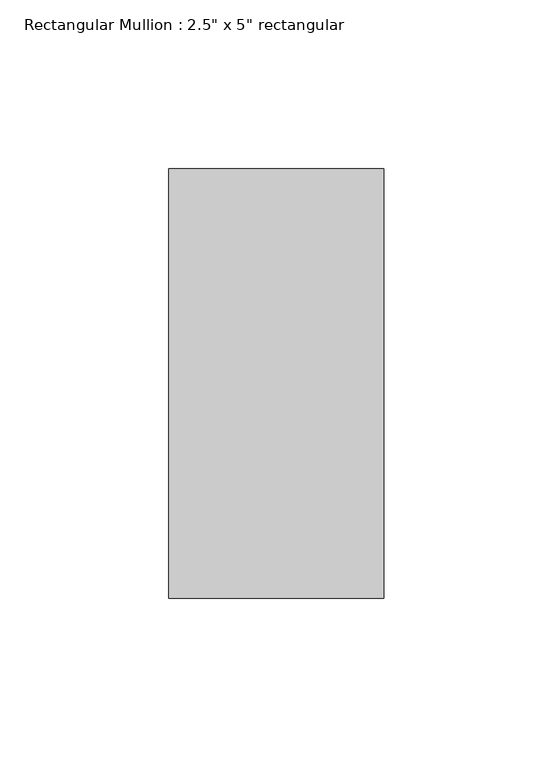
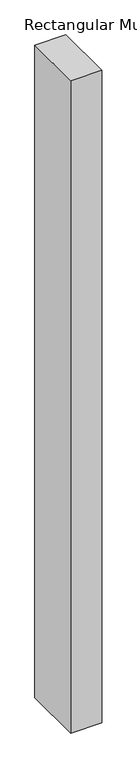
"""IFC4 building model written with IfcOpenShell, lengths in millimetres: member geometry."""

from ifc_helpers import new_model, si_unit, frame, origin, place, context, project, spatial, polyline, outline, extrude, source, transform, mapped, element, save


def member_bf08fbf1(model_context):
    return source(origin(), model_context, "Body", "SweptSolid", [
        extrude(outline(polyline([(31.75, 63.5), (31.75, -63.5), (-31.75, -63.5), (-31.75, 63.5), (31.75, 63.5)])), frame((0.0, 0.0, -1413.95), z_axis=(0.0, 0.0, 1.0), x_axis=(1.0, 0.0, 0.0)), (0.0, 0.0, 1.0), 1413.95),
    ])


if __name__ == "__main__":
    model = new_model("IFC4")
    model_context = context("Model", 3, world=origin())
    ifc_project = project(units=[si_unit("LENGTHUNIT", "METRE", prefix="MILLI")], contexts=[model_context])
    site = spatial("IfcSite", under=ifc_project)
    building = spatial("IfcBuilding", under=site)
    placement = place(None, origin())
    member_shape = member_bf08fbf1(model_context)
    element("IfcMember", 1, ObjectType="Rectangular Mullion : 2.5\" x 5\" rectangular", at=placement, inside=building, context=model_context, shape_type="MappedRepresentation", body=[
        mapped(member_shape, transform((0.0, 0.0, 0.0), x_axis=(1.0, 0.0, 0.0), y_axis=(0.0, 1.0, 0.0), z_axis=(0.0, 0.0, 1.0))),
    ])
    save(model, "model.ifc")
